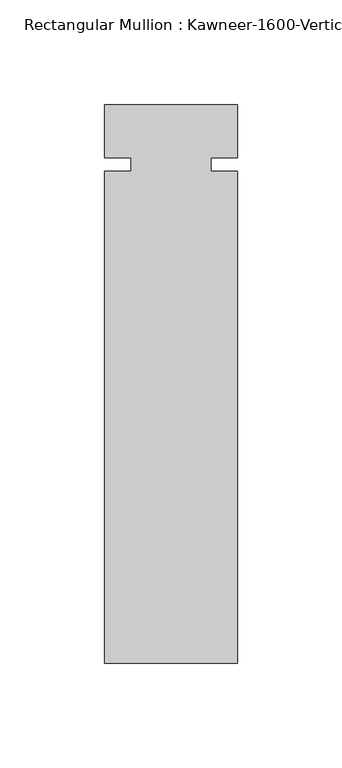
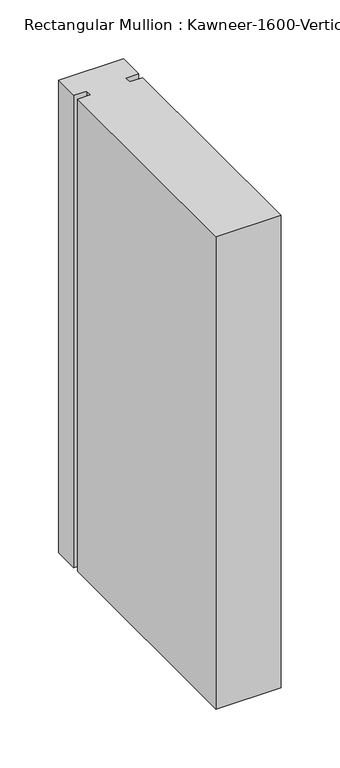
"""IFC4 building model written with IfcOpenShell, lengths in millimetres: member geometry."""

from ifc_helpers import new_model, si_unit, frame, origin, place, context, project, spatial, polyline, outline, extrude, source, transform, mapped, element, save


def member_fae36cc1(model_context):
    return source(origin(), model_context, "Body", "SweptSolid", [
        extrude(outline(polyline([(31.75, -238.125), (-31.75, -238.125), (-31.75, -3.175), (-19.05, -3.175), (-19.05, 3.175), (-31.75, 3.175), (-31.75, 28.575), (31.75, 28.575), (31.75, 3.175), (19.05, 3.175), (19.05, -3.175), (31.75, -3.175), (31.75, -238.125)])), frame((0.0, 0.0, -488.95), z_axis=(0.0, 0.0, 1.0), x_axis=(1.0, 0.0, 0.0)), (0.0, 0.0, 1.0), 488.95),
    ])


if __name__ == "__main__":
    model = new_model("IFC4")
    model_context = context("Model", 3, world=origin())
    ifc_project = project(units=[si_unit("LENGTHUNIT", "METRE", prefix="MILLI")], contexts=[model_context])
    site = spatial("IfcSite", under=ifc_project)
    building = spatial("IfcBuilding", under=site)
    placement = place(None, origin())
    member_shape = member_fae36cc1(model_context)
    element("IfcMember", 1, ObjectType="Rectangular Mullion : Kawneer-1600-Vertical_Interior-System1-10_1/2\"-1/4\"Infill", at=placement, inside=building, context=model_context, shape_type="MappedRepresentation", body=[
        mapped(member_shape, transform((0.0, 0.0, 0.0), x_axis=(1.0, 0.0, 0.0), y_axis=(0.0, 1.0, 0.0), z_axis=(0.0, 0.0, 1.0))),
    ])
    save(model, "model.ifc")
